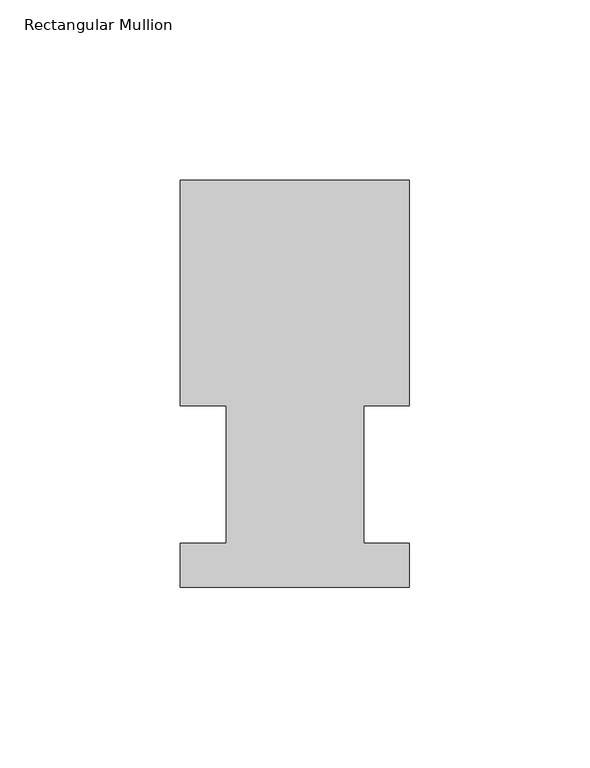
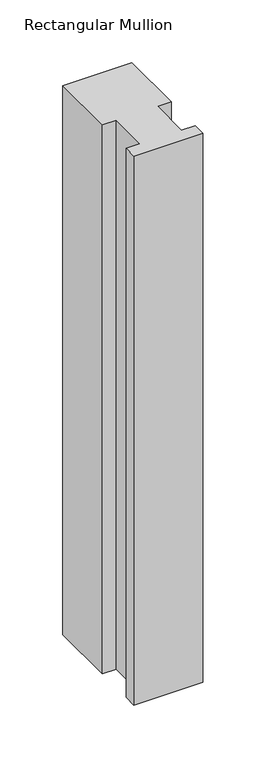
"""IFC4 building model written with IfcOpenShell, lengths in millimetres: member geometry, Rectangular Mullion."""

from ifc_helpers import new_model, si_unit, frame, origin, place, context, project, spatial, polyline, outline, extrude, source, transform, mapped, element, save


def rectangular_mullion_2e2d5e44(model_context):
    return source(origin(), model_context, "Body", "SweptSolid", [
        extrude(outline(polyline([(-63.5368106, 52.5859375), (-63.5368106, 115.0699375), (0.0, 115.0699375), (0.0, 52.5859375), (-12.602764, 52.5859375), (-12.602764, 14.4858895), (0.0, 14.4858895), (0.0, 2.1909696), (-63.5, 2.1909696), (-63.5, 14.4859413), (-50.7405803, 14.4859413), (-50.7405803, 52.5859375), (-63.5368106, 52.5859375)])), frame((0.0, 0.0, -533.3682506), z_axis=(0.0, 0.0, 1.0), x_axis=(1.0, 0.0, 0.0)), (0.0, 0.0, 1.0), 533.3682506),
    ])


if __name__ == "__main__":
    model = new_model("IFC4")
    model_context = context("Model", 3, world=origin())
    ifc_project = project(units=[si_unit("LENGTHUNIT", "METRE", prefix="MILLI")], contexts=[model_context])
    site = spatial("IfcSite", under=ifc_project)
    building = spatial("IfcBuilding", under=site)
    placement = place(None, origin())
    rectangular_mullion_shape = rectangular_mullion_2e2d5e44(model_context)
    element("IfcMember", 1, ObjectType="Rectangular Mullion", at=placement, inside=building, context=model_context, shape_type="MappedRepresentation", body=[
        mapped(rectangular_mullion_shape, transform((0.0, 0.0, 0.0), x_axis=(1.0, 0.0, 0.0), y_axis=(0.0, 1.0, 0.0), z_axis=(0.0, 0.0, 1.0))),
    ])
    save(model, "model.ifc")
